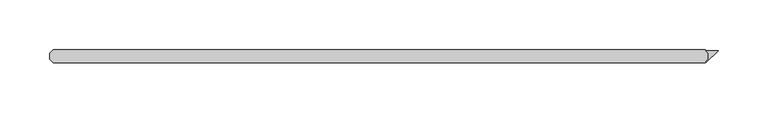
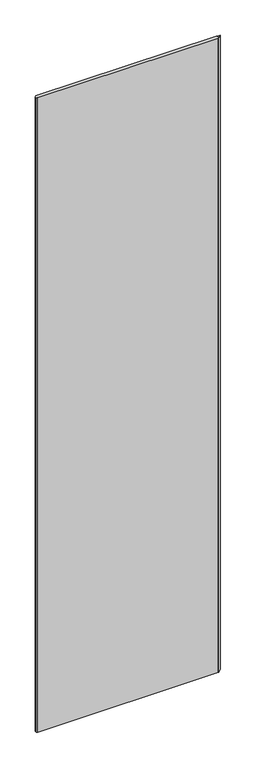
"""IFC4 building model written with IfcOpenShell, lengths in millimetres: plate geometry."""

from ifc_helpers import new_model, si_unit, origin, origin_with_axes, place, context, project, spatial, polyline, outline, extrude, source, transform, mapped, element, save


def plate_ed16da40(model_context):
    return source(origin(), model_context, "Body", "SweptSolid", [
        extrude(outline(polyline([(342.968093, 33.3375), (340.586843, 35.71875), (352.821875, 35.71875), (341.1058699, 24.0027449), (340.5446039, 24.5640109), (342.968093, 26.9875), (342.968093, 33.3375)])), origin_with_axes(), (0.0, 0.0, 1.0), 2428.7789267),
        extrude(outline(polyline([(339.793093, 36.5125), (342.968093, 33.3375), (342.968093, 26.9875), (339.793093, 23.8125), (-313.928125, 23.8125), (-317.103125, 26.9875), (-317.103125, 33.3375), (-313.928125, 36.5125), (339.793093, 36.5125)])), origin_with_axes(), (0.0, 0.0, 1.0), 2428.7789267),
    ])


if __name__ == "__main__":
    model = new_model("IFC4")
    model_context = context("Model", 3, world=origin())
    ifc_project = project(units=[si_unit("LENGTHUNIT", "METRE", prefix="MILLI")], contexts=[model_context])
    site = spatial("IfcSite", under=ifc_project)
    building = spatial("IfcBuilding", under=site)
    placement = place(None, origin())
    plate_shape = plate_ed16da40(model_context)
    element("IfcPlate", 1, at=placement, inside=building, context=model_context, shape_type="MappedRepresentation", body=[
        mapped(plate_shape, transform((0.0, 0.0, 0.0), x_axis=(1.0, 0.0, 0.0), y_axis=(0.0, 1.0, 0.0), z_axis=(0.0, 0.0, 1.0))),
    ])
    save(model, "model.ifc")
